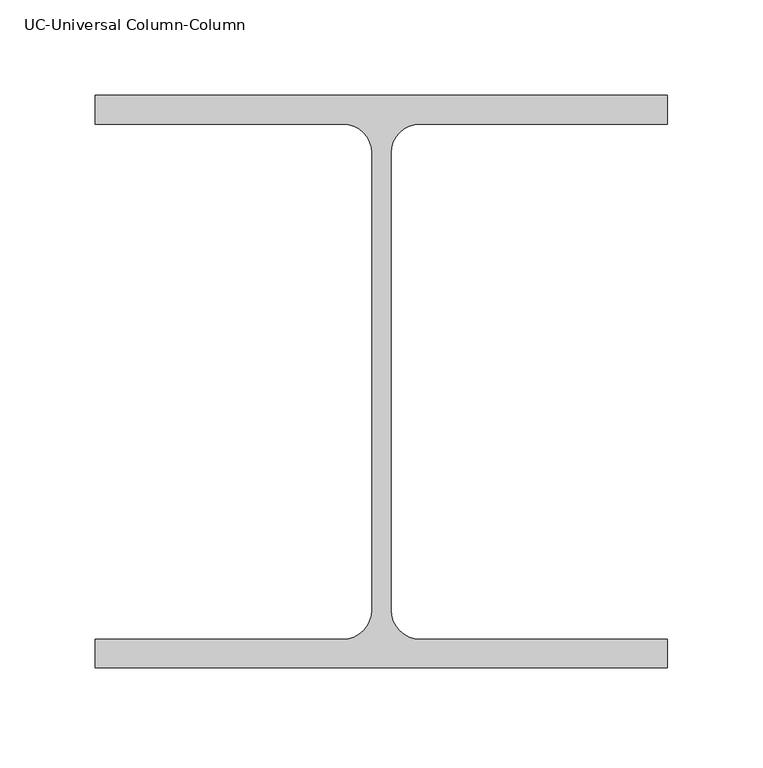
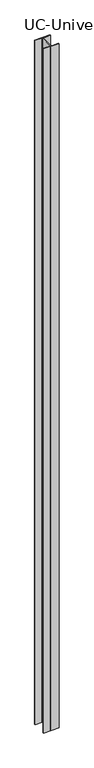
"""IFC4 building model written with IfcOpenShell, lengths in millimetres: column geometry, UC-Universal Column-Column."""

from ifc_helpers import new_model, si_unit, point, frame, frame_2d, origin, place, context, project, spatial, polyline, circle_curve, trimmed, segment, composite_curve, outline, extrude, source, transform, mapped, element, save


def uc_universal_column_column_8778b6f7(model_context):
    return source(origin(), model_context, "Body", "SweptSolid", [
        extrude(outline(composite_curve([segment(polyline([(150.0, 150.0), (150.0, 135.0), (20.2, 135.0)]), True, "CONTINUOUS"), segment(trimmed(circle_curve(frame_2d((20.2, 119.8)), 15.2), [point((20.2, 135.0))], [point((5.0, 119.8))], True, "CARTESIAN"), True, "CONTINUOUS"), segment(polyline([(5.0, 119.8), (5.0, -119.8)]), True, "CONTINUOUS"), segment(trimmed(circle_curve(frame_2d((20.2, -119.8)), 15.2), [point((5.0, -119.8))], [point((20.2, -135.0))], True, "CARTESIAN"), True, "CONTINUOUS"), segment(polyline([(20.2, -135.0), (150.0, -135.0), (150.0, -150.0), (-150.0, -150.0), (-150.0, -135.0), (-20.2, -135.0)]), True, "CONTINUOUS"), segment(trimmed(circle_curve(frame_2d((-20.2, -119.8)), 15.2), [point((-20.2, -135.0))], [point((-5.0, -119.8))], True, "CARTESIAN"), True, "CONTINUOUS"), segment(polyline([(-5.0, -119.8), (-5.0, 119.8)]), True, "CONTINUOUS"), segment(trimmed(circle_curve(frame_2d((-20.2, 119.8)), 15.2), [point((-5.0, 119.8))], [point((-20.2, 135.0))], True, "CARTESIAN"), True, "CONTINUOUS"), segment(polyline([(-20.2, 135.0), (-150.0, 135.0), (-150.0, 150.0), (150.0, 150.0)]), True, "CONTINUOUS")], self_intersect=False)), frame((0.0, 0.0, -7500.0), z_axis=(0.0, 0.0, 1.0), x_axis=(1.0, 0.0, 0.0)), (0.0, 0.0, 1.0), 14000.0),
    ])


if __name__ == "__main__":
    model = new_model("IFC4")
    model_context = context("Model", 3, world=origin())
    ifc_project = project(units=[si_unit("LENGTHUNIT", "METRE", prefix="MILLI")], contexts=[model_context])
    site = spatial("IfcSite", under=ifc_project)
    building = spatial("IfcBuilding", under=site)
    placement = place(None, origin())
    uc_universal_column_column_shape = uc_universal_column_column_8778b6f7(model_context)
    element("IfcColumn", 1, ObjectType="UC-Universal Column-Column", at=placement, inside=building, context=model_context, shape_type="MappedRepresentation", body=[
        mapped(uc_universal_column_column_shape, transform((0.0, 0.0, 0.0), x_axis=(1.0, 0.0, 0.0), y_axis=(0.0, 1.0, 0.0), z_axis=(0.0, 0.0, 1.0))),
    ])
    save(model, "model.ifc")
